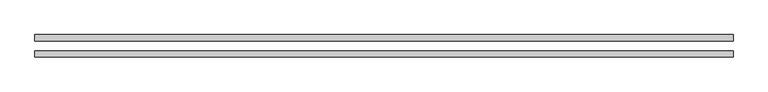
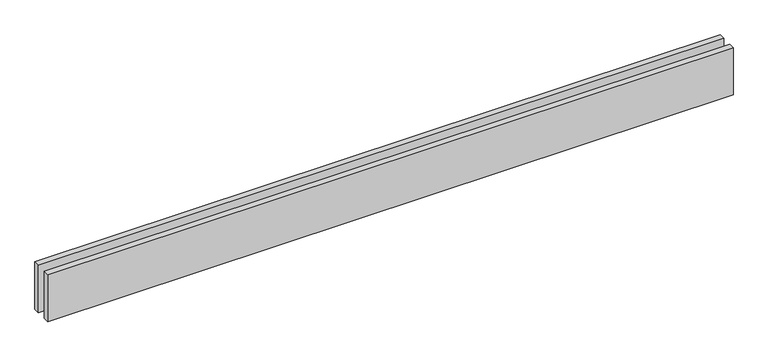
"""IFC4 building model written with IfcOpenShell, lengths in millimetres: proxy geometry."""

from ifc_helpers import new_model, si_unit, origin, origin_with_axes, place, context, project, spatial, polyline, outline, extrude, source, transform, mapped, element, save


def generic_models_70cd6a16(model_context):
    return source(origin(), model_context, "Body", "SweptSolid", [
        extrude(outline(polyline([(3424.2640687, -25.0), (3424.2640687, -55.0), (0.0, -55.0), (0.0, -25.0), (3424.2640687, -25.0)])), origin_with_axes(), (0.0, 0.0, 1.0), 250.0),
        extrude(outline(polyline([(3424.2640687, 55.0), (3424.2640687, 25.0), (0.0, 25.0), (0.0, 55.0), (3424.2640687, 55.0)])), origin_with_axes(), (0.0, 0.0, 1.0), 250.0),
    ])


if __name__ == "__main__":
    model = new_model("IFC4")
    model_context = context("Model", 3, world=origin())
    ifc_project = project(units=[si_unit("LENGTHUNIT", "METRE", prefix="MILLI")], contexts=[model_context])
    site = spatial("IfcSite", under=ifc_project)
    building = spatial("IfcBuilding", under=site)
    placement = place(None, origin())
    generic_models_shape = generic_models_70cd6a16(model_context)
    element("IfcBuildingElementProxy", 1, Name="Generic Models", at=placement, inside=building, context=model_context, shape_type="MappedRepresentation", body=[
        mapped(generic_models_shape, transform((0.0, 0.0, 0.0), x_axis=(1.0, 0.0, 0.0), y_axis=(0.0, 1.0, 0.0), z_axis=(0.0, 0.0, 1.0))),
    ])
    save(model, "model.ifc")
